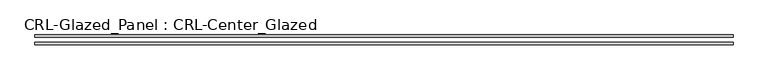
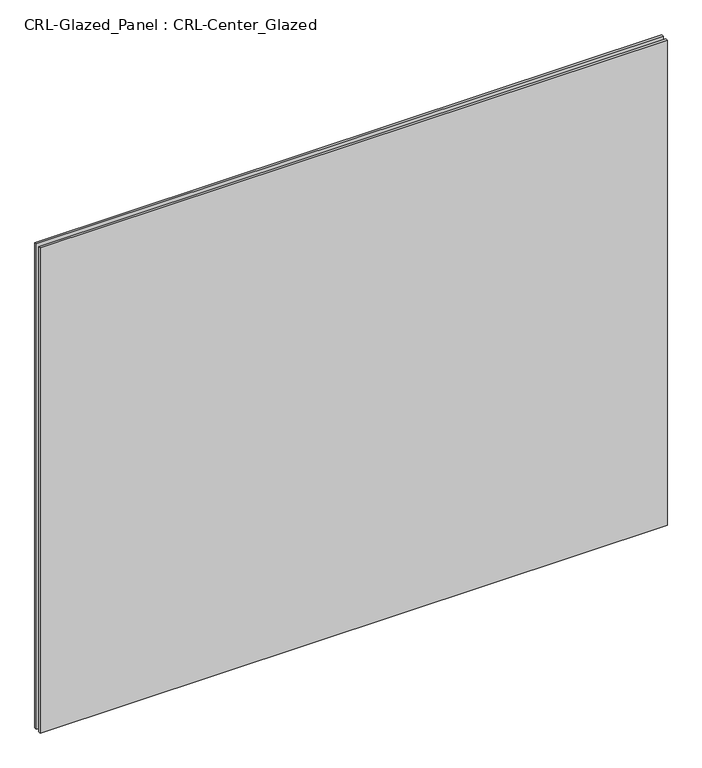
"""IFC4 building model written with IfcOpenShell, lengths in millimetres: plate geometry, CRL-Glazed_Panel : CRL-Center_Glazed."""

from ifc_helpers import new_model, si_unit, origin, origin_with_axes, place, context, project, spatial, polyline, outline, extrude, source, transform, mapped, element, save


def crl_glazed_panel_crl_center_glazed_e92f6d4a(model_context):
    return source(origin(), model_context, "Body", "SweptSolid", [
        extrude(outline(polyline([(887.4125, 12.7), (887.4125, 6.35), (-887.4125, 6.35), (-887.4125, 12.7), (887.4125, 12.7)])), origin_with_axes(), (0.0, 0.0, 1.0), 1450.975),
        extrude(outline(polyline([(-887.4125, -6.35), (887.4125, -6.35), (887.4125, -12.7), (-887.4125, -12.7), (-887.4125, -6.35)])), origin_with_axes(), (0.0, 0.0, 1.0), 1450.975),
    ])


if __name__ == "__main__":
    model = new_model("IFC4")
    model_context = context("Model", 3, world=origin())
    ifc_project = project(units=[si_unit("LENGTHUNIT", "METRE", prefix="MILLI")], contexts=[model_context])
    site = spatial("IfcSite", under=ifc_project)
    building = spatial("IfcBuilding", under=site)
    placement = place(None, origin())
    crl_glazed_panel_crl_center_glazed_shape = crl_glazed_panel_crl_center_glazed_e92f6d4a(model_context)
    element("IfcPlate", 1, ObjectType="CRL-Glazed_Panel : CRL-Center_Glazed", at=placement, inside=building, context=model_context, shape_type="MappedRepresentation", body=[
        mapped(crl_glazed_panel_crl_center_glazed_shape, transform((0.0, 0.0, 0.0), x_axis=(1.0, 0.0, 0.0), y_axis=(0.0, 1.0, 0.0), z_axis=(0.0, 0.0, 1.0))),
    ])
    save(model, "model.ifc")
